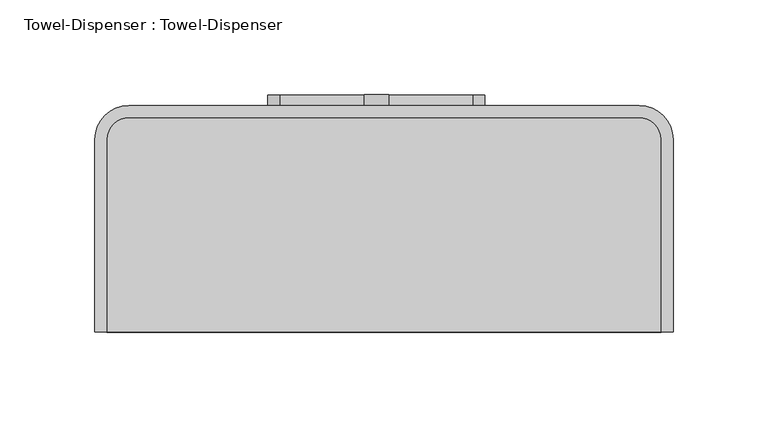
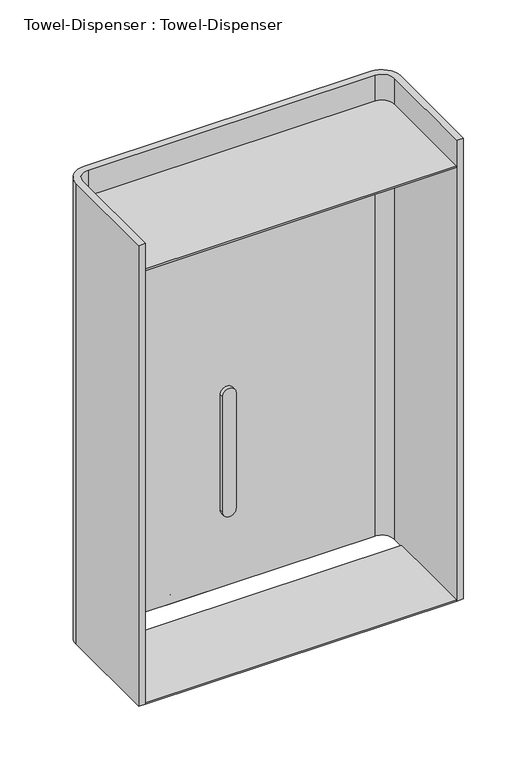
"""IFC4 building model written with IfcOpenShell, lengths in millimetres: proxy geometry, Towel-Dispenser : Towel-Dispenser."""

from ifc_helpers import new_model, si_unit, point, frame, frame_2d, origin, place, context, project, spatial, polyline, circle_curve, trimmed, segment, composite_curve, outline, extrude, source, transform, mapped, element, save


def towel_dispenser_towel_dispenser_1cdf651c(model_context):
    return source(origin(), model_context, "Body", "SweptSolid", [
        extrude(outline(composite_curve([segment(polyline([(1257.5343137, -1.1872838), (1143.2343137, -1.1872838)]), True, "CONTINUOUS"), segment(trimmed(circle_curve(frame_2d((1143.2343137, 5.1627162)), 6.35), [point((1143.2343137, -1.1872838))], [point((1143.2343137, 11.5127162))], False, "CARTESIAN"), True, "CONTINUOUS"), segment(polyline([(1143.2343137, 11.5127162), (1257.5343137, 11.5127162)]), True, "CONTINUOUS"), segment(trimmed(circle_curve(frame_2d((1257.5343137, 5.1627162)), 6.35), [point((1257.5343137, 11.5127162))], [point((1257.5343137, -1.1872838))], False, "CARTESIAN"), True, "CONTINUOUS")], self_intersect=False)), frame((0.0, 171.4227087, 0.0), z_axis=(0.0, 1.0, 0.0), x_axis=(0.0, 0.0, 1.0)), (0.0, 0.0, 1.0), 15.6736366),
        extrude(outline(composite_curve([segment(trimmed(circle_curve(frame_2d((-125.3028779, 163.5125)), 17.9605122), [point((-143.2633901, 163.5125))], [point((-125.3028779, 181.4730122))], False, "CARTESIAN"), True, "CONTINUOUS"), segment(polyline([(-125.3028779, 181.4730122), (143.5760976, 181.4730122)]), True, "CONTINUOUS"), segment(trimmed(circle_curve(frame_2d((143.5760976, 163.5125)), 17.9605122), [point((143.5760976, 181.4730122))], [point((161.5366099, 163.5125))], False, "CARTESIAN"), True, "CONTINUOUS"), segment(polyline([(161.5366099, 163.5125), (161.5366099, 61.9125), (155.1866099, 61.9125), (155.1866099, 163.5125)]), True, "CONTINUOUS"), segment(trimmed(circle_curve(frame_2d((143.5760976, 163.5125)), 11.6105122), [point((155.1866099, 163.5125))], [point((143.5760976, 175.1230122))], True, "CARTESIAN"), True, "CONTINUOUS"), segment(polyline([(143.5760976, 175.1230122), (-125.3028779, 175.1230122)]), True, "CONTINUOUS"), segment(trimmed(circle_curve(frame_2d((-125.3028779, 163.5125)), 11.6105122), [point((-125.3028779, 175.1230122))], [point((-136.9133901, 163.5125))], True, "CARTESIAN"), True, "CONTINUOUS"), segment(polyline([(-136.9133901, 163.5125), (-136.9133901, 61.9125), (-143.2633901, 61.9125), (-143.2633901, 163.5125)]), True, "CONTINUOUS")], self_intersect=False)), frame((0.0, 0.0, 1066.8), z_axis=(0.0, 0.0, 1.0), x_axis=(1.0, 0.0, 0.0)), (0.0, 0.0, 1.0), 457.2),
        extrude(outline(polyline([(155.1866099, 61.9125), (-136.9133901, 61.9125), (-136.9133901, 150.8125), (155.1866099, 150.8125), (155.1866099, 61.9125)])), frame((0.0, 0.0, 1066.8), z_axis=(0.0, 0.0, 1.0), x_axis=(1.0, 0.0, 0.0)), (0.0, 0.0, 1.0), 1.5875),
        extrude(outline(composite_curve([segment(polyline([(1077.7985226, 55.9627162), (1077.7985226, -45.6372838)]), True, "CONTINUOUS"), segment(trimmed(circle_curve(frame_2d((1067.949722, -41.2786607)), 10.7701657), [point((1077.7985226, -45.6372838))], [point((1066.8, -51.9872838))], False, "CARTESIAN"), True, "CONTINUOUS"), segment(polyline([(1066.8, -51.9872838), (1066.8, 62.3127162)]), True, "CONTINUOUS"), segment(trimmed(circle_curve(frame_2d((1067.949722, 51.6040931)), 10.7701657), [point((1066.8, 62.3127162))], [point((1077.7985226, 55.9627162))], False, "CARTESIAN"), True, "CONTINUOUS")], self_intersect=False)), frame((0.0, 175.1230122, 0.0), z_axis=(0.0, 1.0, 0.0), x_axis=(0.0, 0.0, 1.0)), (0.0, 0.0, 1.0), 11.9733331),
        extrude(outline(composite_curve([segment(polyline([(155.1866099, 61.9125), (-136.9133901, 61.9125), (-136.9133901, 163.5125)]), True, "CONTINUOUS"), segment(trimmed(circle_curve(frame_2d((-125.3028779, 163.5125)), 11.6105122), [point((-136.9133901, 163.5125))], [point((-125.3028779, 175.1230122))], False, "CARTESIAN"), True, "CONTINUOUS"), segment(polyline([(-125.3028779, 175.1230122), (143.5760976, 175.1230122)]), True, "CONTINUOUS"), segment(trimmed(circle_curve(frame_2d((143.5760976, 163.5125)), 11.6105122), [point((143.5760976, 175.1230122))], [point((155.1866099, 163.5125))], False, "CARTESIAN"), True, "CONTINUOUS"), segment(polyline([(155.1866099, 163.5125), (155.1866099, 61.9125)]), True, "CONTINUOUS")], self_intersect=False)), frame((0.0, 0.0, 1497.0125), z_axis=(0.0, 0.0, 1.0), x_axis=(1.0, 0.0, 0.0)), (0.0, 0.0, 1.0), 1.5875),
    ])


if __name__ == "__main__":
    model = new_model("IFC4")
    model_context = context("Model", 3, world=origin())
    ifc_project = project(units=[si_unit("LENGTHUNIT", "METRE", prefix="MILLI")], contexts=[model_context])
    site = spatial("IfcSite", under=ifc_project)
    building = spatial("IfcBuilding", under=site)
    placement = place(None, origin())
    towel_dispenser_towel_dispenser_shape = towel_dispenser_towel_dispenser_1cdf651c(model_context)
    element("IfcBuildingElementProxy", 1, Name="Towel-Dispenser : Towel-Dispenser", ObjectType="Towel-Dispenser : Towel-Dispenser", at=placement, inside=building, context=model_context, shape_type="MappedRepresentation", body=[
        mapped(towel_dispenser_towel_dispenser_shape, transform((0.0, 0.0, 0.0), x_axis=(1.0, 0.0, 0.0), y_axis=(0.0, 1.0, 0.0), z_axis=(0.0, 0.0, 1.0))),
    ])
    save(model, "model.ifc")
